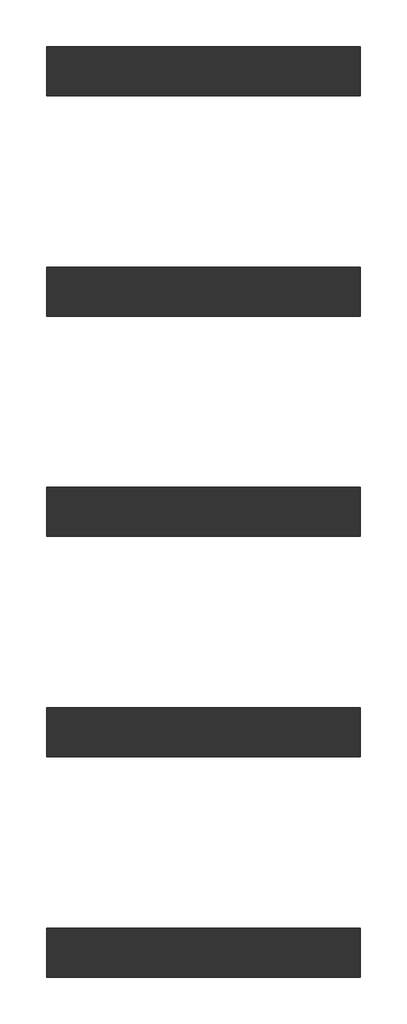
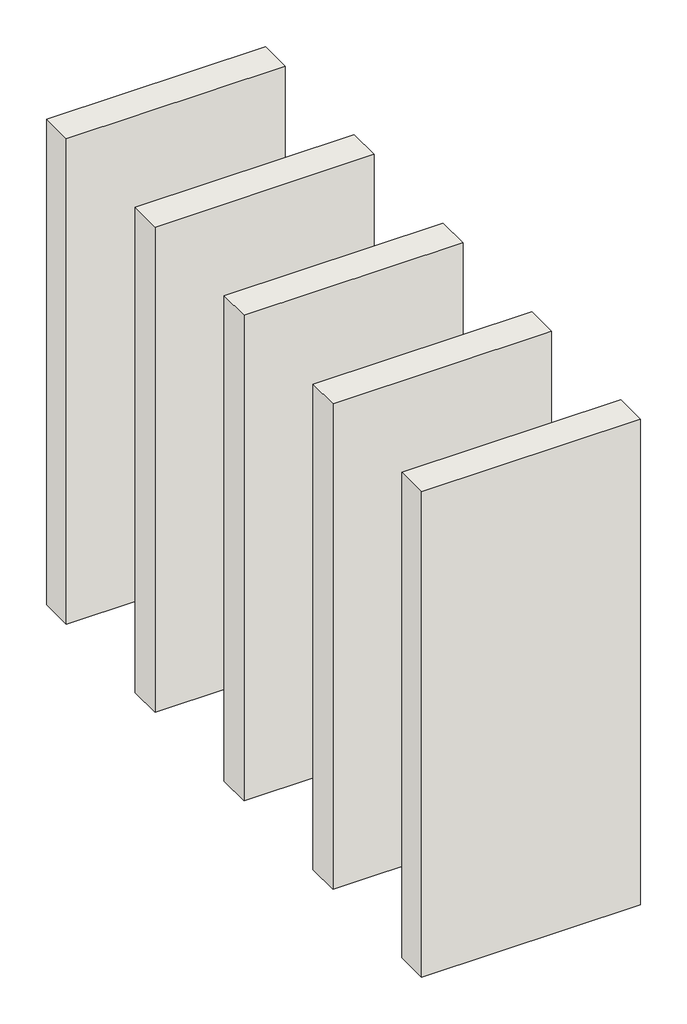
# One storey: 5 walls.
"""IFC4 building model written with IfcOpenShell, lengths in millimetres."""

from ifc_helpers import new_model, si_unit, origin, origin_with_axes, place, context, project, spatial, polyline, outline, extrude, element, save

model = new_model("IFC4")

# Units and contexts
model_context = context("Model", 3, world=origin())
ifc_project = project(units=[si_unit("LENGTHUNIT", "METRE", prefix="MILLI")], contexts=[model_context])

# Site, building, storey
site = spatial("IfcSite", under=ifc_project)
building = spatial("IfcBuilding", under=site)
storey = spatial("IfcBuildingStorey", under=building, Elevation=0.0)

# Walls
placement = place(None, origin())
element("IfcWall", 1, at=placement, inside=storey, context=model_context, shape_type="SweptSolid", body=[
    extrude(outline(polyline([(-10094.8947081, 14638.6155102), (-11374.8947081, 14638.6155102), (-11374.8947081, 14838.6155102), (-10094.8947081, 14838.6155102), (-10094.8947081, 14638.6155102)])), origin_with_axes(), (0.0, 0.0, 1.0), 3000.0),
])
element("IfcWall", 2, at=placement, inside=storey, context=model_context, shape_type="SweptSolid", body=[
    extrude(outline(polyline([(-10094.8947081, 13738.6155102), (-11374.8947081, 13738.6155102), (-11374.8947081, 13938.6155102), (-10094.8947081, 13938.6155102), (-10094.8947081, 13738.6155102)])), origin_with_axes(), (0.0, 0.0, 1.0), 3000.0),
])
element("IfcWall", 3, at=placement, inside=storey, context=model_context, shape_type="SweptSolid", body=[
    extrude(outline(polyline([(-10094.8947081, 11938.6155102), (-11374.8947081, 11938.6155102), (-11374.8947081, 12138.6155102), (-10094.8947081, 12138.6155102), (-10094.8947081, 11938.6155102)])), origin_with_axes(), (0.0, 0.0, 1.0), 3000.0),
])
element("IfcWall", 4, at=placement, inside=storey, context=model_context, shape_type="SweptSolid", body=[
    extrude(outline(polyline([(-10094.8947081, 11038.6155102), (-11374.8947081, 11038.6155102), (-11374.8947081, 11238.6155102), (-10094.8947081, 11238.6155102), (-10094.8947081, 11038.6155102)])), origin_with_axes(), (0.0, 0.0, 1.0), 3000.0),
])
element("IfcWall", 5, at=placement, inside=storey, context=model_context, shape_type="SweptSolid", body=[
    extrude(outline(polyline([(-10094.8947081, 12838.6155102), (-11374.8947081, 12838.6155102), (-11374.8947081, 13038.6155102), (-10094.8947081, 13038.6155102), (-10094.8947081, 12838.6155102)])), origin_with_axes(), (0.0, 0.0, 1.0), 3000.0),
])

save(model, "model.ifc")
